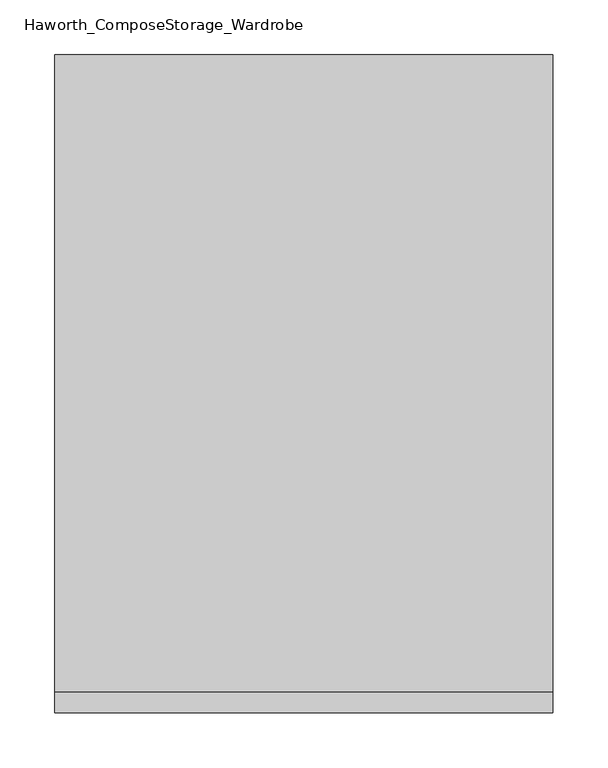
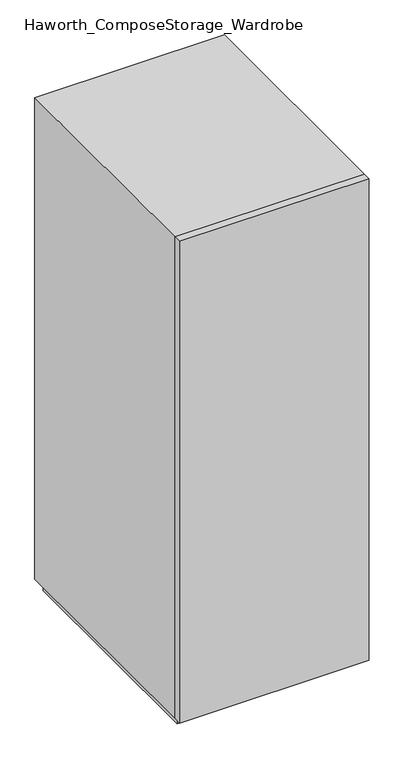
"""IFC4 building model written with IfcOpenShell, lengths in millimetres: furniture geometry, Haworth_ComposeStorage_Wardrobe."""

import ifcopenshell
import ifcopenshell.guid

model = None  # the IFC model being written
_history = None  # IfcOwnerHistory: only IFC2X3 demands one
_inside = {}  # id of a spatial element -> (the spatial element, [elements in it])
_under = {}  # id of a project, library or spatial element -> (it, [spatial elements below it])
_declared = {}  # id of a project -> (the project, [libraries it declares])
_typed = {}  # id of a type object -> (the type object, [elements of that type])
_made_of = {}  # id of a material, layer set ... -> (it, [elements and type objects made of it])


def new_model(schema):
    """Start an empty IFC model of exactly this schema.

    Asked for "IFC4X3", IfcOpenShell would pick the latest addendum, in which some entities
    have other attributes; the version numbers below select the first issue.
    IFC2X3 requires an IfcOwnerHistory on every rooted entity: one is made here for all.
    """
    global model, _history
    if schema == "IFC4X3":
        model = ifcopenshell.file(schema_version=(4, 3, 0, 0))
    else:
        model = ifcopenshell.file(schema=schema)
    _inside.clear()
    _under.clear()
    _declared.clear()
    _typed.clear()
    _made_of.clear()
    _history = None
    if model.schema == "IFC2X3":
        org = make("IfcOrganization", Name="unknown")
        user = make(
            "IfcPersonAndOrganization",
            ThePerson=make("IfcPerson", FamilyName="unknown"),
            TheOrganization=org,
        )
        app = make(
            "IfcApplication",
            ApplicationDeveloper=org,
            Version="unknown",
            ApplicationFullName="unknown",
            ApplicationIdentifier="unknown",
        )
        _history = make(
            "IfcOwnerHistory",
            OwningUser=user,
            OwningApplication=app,
            ChangeAction="ADDED",
            CreationDate=0,
        )
    return model


def make(cls, **values):
    """One entity of the class cls with the attributes given. An attribute that is None is left unset."""
    return model.create_entity(
        cls, **{name: value for name, value in values.items() if value is not None}
    )


def rooted(cls, **values):
    """An entity with a GlobalId (a new one), such as an element, a storey or a relation."""
    return make(cls, GlobalId=ifcopenshell.guid.new(), OwnerHistory=_history, **values)


def si_unit(unit_type, name, prefix=None):
    """IfcSIUnit, for example si_unit("LENGTHUNIT", "METRE", prefix="MILLI")."""
    return make("IfcSIUnit", UnitType=unit_type, Prefix=prefix, Name=name)


def assignment(units):
    """IfcUnitAssignment: the units of a project."""
    return None if units is None else make("IfcUnitAssignment", Units=units)


def point(xyz):
    """IfcCartesianPoint."""
    return None if xyz is None else make("IfcCartesianPoint", Coordinates=xyz)


def direction(xyz):
    """IfcDirection."""
    return None if xyz is None else make("IfcDirection", DirectionRatios=xyz)


def frame(location, z_axis=None, x_axis=None):
    """IfcAxis2Placement3D, a coordinate frame: its origin and axes. An axis left out is left unset."""
    return make(
        "IfcAxis2Placement3D",
        Location=point(location),
        Axis=direction(z_axis),
        RefDirection=direction(x_axis),
    )


def origin():
    """The frame at (0, 0, 0) with its axes left unset."""
    return frame((0.0, 0.0, 0.0))


def origin_with_axes():
    """The frame at (0, 0, 0) with the z axis (0, 0, 1) and the x axis (1, 0, 0) written out."""
    return frame((0.0, 0.0, 0.0), z_axis=(0.0, 0.0, 1.0), x_axis=(1.0, 0.0, 0.0))


def place(relative_to, where):
    """IfcLocalPlacement: puts the frame where relative to a parent placement (None: the world)."""
    return make(
        "IfcLocalPlacement", PlacementRelTo=relative_to, RelativePlacement=where
    )


def context(
    kind, dimensions, precision=None, world=None, true_north=None, identifier=None
):
    """IfcGeometricRepresentationContext, for example the 3D "Model" context."""
    return make(
        "IfcGeometricRepresentationContext",
        ContextIdentifier=identifier,
        ContextType=kind,
        CoordinateSpaceDimension=dimensions,
        Precision=precision,
        WorldCoordinateSystem=world,
        TrueNorth=true_north,
    )


def project(units=None, contexts=None):
    """IfcProject with its units and contexts."""
    return rooted(
        "IfcProject",
        Name="project",
        RepresentationContexts=contexts,
        UnitsInContext=assignment(units),
    )


def spatial(cls, under=None, at=None, **own):
    """A site, building, storey or space (cls), placed at a placement, below another one or the project."""
    s = rooted(cls, ObjectPlacement=at, **own)
    if under is not None:
        _under.setdefault(under.id(), (under, []))[1].append(s)
    return s


def polyline(points):
    """IfcPolyline through the points."""
    return make("IfcPolyline", Points=[point(p) for p in points])


def outline(outer, holes=None, kind="AREA"):
    """IfcArbitraryClosedProfileDef: a profile drawn as a closed curve; with holes, ...WithVoids."""
    if holes is None:
        return make("IfcArbitraryClosedProfileDef", ProfileType=kind, OuterCurve=outer)
    return make(
        "IfcArbitraryProfileDefWithVoids",
        ProfileType=kind,
        OuterCurve=outer,
        InnerCurves=holes,
    )


def extrude(swept, where, along, depth):
    """IfcExtrudedAreaSolid: the profile swept, set in the frame where, extruded along a direction by depth."""
    return make(
        "IfcExtrudedAreaSolid",
        SweptArea=swept,
        Position=where,
        ExtrudedDirection=direction(along),
        Depth=depth,
    )


def faces_of(points, faces, orient=None, outer=None):
    """IfcFace entities. A face is a list of loops; a loop is a list of indices into points, from 0.

    orient and outer hold one flag for each loop. By default every Orientation is true, the
    first loop of a face is its IfcFaceOuterBound and the others are IfcFaceBound.
    """
    made = []
    for i, loops in enumerate(faces):
        bounds = []
        for j, loop in enumerate(loops):
            is_outer = j == 0 if outer is None else outer[i][j]
            bounds.append(
                make(
                    "IfcFaceOuterBound" if is_outer else "IfcFaceBound",
                    Bound=make("IfcPolyLoop", Polygon=[points[k] for k in loop]),
                    Orientation=True if orient is None else orient[i][j],
                )
            )
        made.append(make("IfcFace", Bounds=bounds))
    return made


def faceted_brep(points, faces, orient=None, outer=None, voids=None):
    """IfcFacetedBrep: a solid bounded by flat faces; with voids (closed shells), ...WithVoids."""
    shared = [point(p) for p in points]
    hull = make("IfcClosedShell", CfsFaces=faces_of(shared, faces, orient, outer))
    if voids is None:
        return make("IfcFacetedBrep", Outer=hull)
    return make(
        "IfcFacetedBrepWithVoids",
        Outer=hull,
        Voids=[
            make(cls, CfsFaces=faces_of(shared, fs, o, b)) for cls, fs, o, b in voids
        ],
    )


def shape(context_of_items, identifier, shape_type, items):
    """IfcShapeRepresentation: the items that make up one representation, for example the "Body"."""
    return make(
        "IfcShapeRepresentation",
        ContextOfItems=context_of_items,
        RepresentationIdentifier=identifier,
        RepresentationType=shape_type,
        Items=items,
    )


def source(mapping_origin, context_of_items, identifier, shape_type, items):
    """IfcRepresentationMap: a shape defined once, which mapped items show again and again."""
    return make(
        "IfcRepresentationMap",
        MappingOrigin=mapping_origin,
        MappedRepresentation=shape(context_of_items, identifier, shape_type, items),
    )


def transform(
    local_origin,
    x_axis=None,
    y_axis=None,
    z_axis=None,
    scale=None,
    scale2=None,
    scale3=None,
    uniform=True,
):
    """IfcCartesianTransformationOperator3D, or its non-uniform kind. x_axis, y_axis, z_axis: its Axis1, 2, 3."""
    if uniform:
        return make(
            "IfcCartesianTransformationOperator3D",
            Axis1=direction(x_axis),
            Axis2=direction(y_axis),
            LocalOrigin=point(local_origin),
            Scale=scale,
            Axis3=direction(z_axis),
        )
    return make(
        "IfcCartesianTransformationOperator3DnonUniform",
        Axis1=direction(x_axis),
        Axis2=direction(y_axis),
        LocalOrigin=point(local_origin),
        Scale=scale,
        Axis3=direction(z_axis),
        Scale2=scale2,
        Scale3=scale3,
    )


def mapped(mapping_source, mapping_target):
    """IfcMappedItem: shows the shape of a source again, moved by a transform."""
    return make(
        "IfcMappedItem", MappingSource=mapping_source, MappingTarget=mapping_target
    )


def made_of(thing, what):
    """Note that an element or type object is made of a material, layer set ...; save() writes the relation."""
    if what is not None:
        _made_of.setdefault(what.id(), (what, []))[1].append(thing)
    return thing


def element(
    cls,
    number,
    at=None,
    inside=None,
    cuts=None,
    type_object=None,
    material=None,
    context=None,
    identifier="Body",
    shape_type=None,
    held_by="IfcProductDefinitionShape",
    body=None,
    shapes=None,
    **own,
):
    """One element of the class cls, such as IfcWall. Its Tag is "e" and its number.

    at: its placement. inside: the storey or other place that contains it. cuts: it is an
    opening in that element (IfcRelVoidsElement). A single representation is given by context,
    identifier, shape_type and body (its items); several are given by shapes. held_by: the class
    of the entity that holds the representations. save() writes the other relations.
    """
    e = rooted(cls, Tag="e%d" % number, ObjectPlacement=at, **own)
    if body is not None:
        shapes = [shape(context, identifier, shape_type, body)]
    if shapes is not None:
        e.Representation = make(held_by, Representations=shapes)
    if inside is not None:
        _inside.setdefault(inside.id(), (inside, []))[1].append(e)
    if cuts is not None:
        rooted(
            "IfcRelVoidsElement", RelatingBuildingElement=cuts, RelatedOpeningElement=e
        )
    if type_object is not None:
        _typed.setdefault(type_object.id(), (type_object, []))[1].append(e)
    return made_of(e, material)


def aggregate(whole, parts):
    """IfcRelAggregates: a whole, such as a stair, and the parts it consists of."""
    return rooted("IfcRelAggregates", RelatingObject=whole, RelatedObjects=parts)


def save(model, path):
    """Write the relations noted so far, then the file.

    IfcRelAggregates (storeys below a building ...), IfcRelContainedInSpatialStructure (elements
    in a storey), IfcRelDefinesByType, IfcRelAssociatesMaterial and IfcRelDeclares: one each for
    every whole, place, type object, material and project.
    """
    for whole, parts in _under.values():
        aggregate(whole, parts)
    for where, things in _inside.values():
        rooted(
            "IfcRelContainedInSpatialStructure",
            RelatedElements=things,
            RelatingStructure=where,
        )
    for kind, things in _typed.values():
        rooted("IfcRelDefinesByType", RelatedObjects=things, RelatingType=kind)
    for what, things in _made_of.values():
        rooted("IfcRelAssociatesMaterial", RelatedObjects=things, RelatingMaterial=what)
    for by, libraries in _declared.values():
        rooted("IfcRelDeclares", RelatingContext=by, RelatedDefinitions=libraries)
    model.write(path)


def haworth_composestorage_wardrobe_6115ec3c(model_context):
    return source(origin(), model_context, "Body", "SolidModel", [
        extrude(outline(polyline([(227.0263906, -309.5625), (-226.9986094, -309.5625), (-226.9986094, -290.5125), (227.0263906, -290.5125), (227.0263906, -309.5625)])), frame((0.0, 0.0, 25.4), z_axis=(0.0, 0.0, 1.0), x_axis=(1.0, 0.0, 0.0)), (0.0, 0.0, 1.0), 1219.2),
        faceted_brep([(-226.9986094, -290.5125, 25.4), (227.0263906, -290.5125, 25.4), (227.0263906, -290.5125, 1244.6), (-226.9986094, -290.5125, 1244.6), (-207.9486094, -290.5125, 44.45), (-207.9486094, -290.5125, 1225.55), (207.9486094, -290.5125, 1225.55), (207.9486094, -290.5125, 44.45), (-226.9986094, 290.5125, 25.4), (-226.9986094, 290.5125, 1244.6), (227.0263906, 290.5125, 1244.6), (227.0263906, 290.5125, 25.4), (-207.9486094, 271.4625, 44.45), (-207.9486094, 271.4625, 1225.55), (207.9486094, 271.4625, 1225.55), (207.9486094, 271.4625, 44.45)], [[[0, 1, 2, 3], [4, 5, 6, 7]], [[8, 9, 10, 11]], [[1, 0, 8, 11]], [[2, 1, 11, 10]], [[3, 2, 10, 9]], [[0, 3, 9, 8]], [[5, 4, 12, 13]], [[6, 5, 13, 14]], [[7, 6, 14, 15]], [[4, 7, 15, 12]], [[13, 12, 15, 14]]]),
        extrude(outline(polyline([(214.3263906, -277.8125), (-214.2986094, -277.8125), (-214.2986094, 277.8125), (214.3263906, 277.8125), (214.3263906, -277.8125)])), origin_with_axes(), (0.0, 0.0, 1.0), 25.4),
    ])


if __name__ == "__main__":
    model = new_model("IFC4")
    model_context = context("Model", 3, world=origin())
    ifc_project = project(units=[si_unit("LENGTHUNIT", "METRE", prefix="MILLI")], contexts=[model_context])
    site = spatial("IfcSite", under=ifc_project)
    building = spatial("IfcBuilding", under=site)
    placement = place(None, origin())
    haworth_composestorage_wardrobe_shape = haworth_composestorage_wardrobe_6115ec3c(model_context)
    element("IfcFurniture", 1, ObjectType="Haworth_ComposeStorage_Wardrobe", at=placement, inside=building, context=model_context, shape_type="MappedRepresentation", body=[
        mapped(haworth_composestorage_wardrobe_shape, transform((0.0, 0.0, 0.0), x_axis=(1.0, 0.0, 0.0), y_axis=(0.0, 1.0, 0.0), z_axis=(0.0, 0.0, 1.0))),
    ])
    save(model, "model.ifc")
